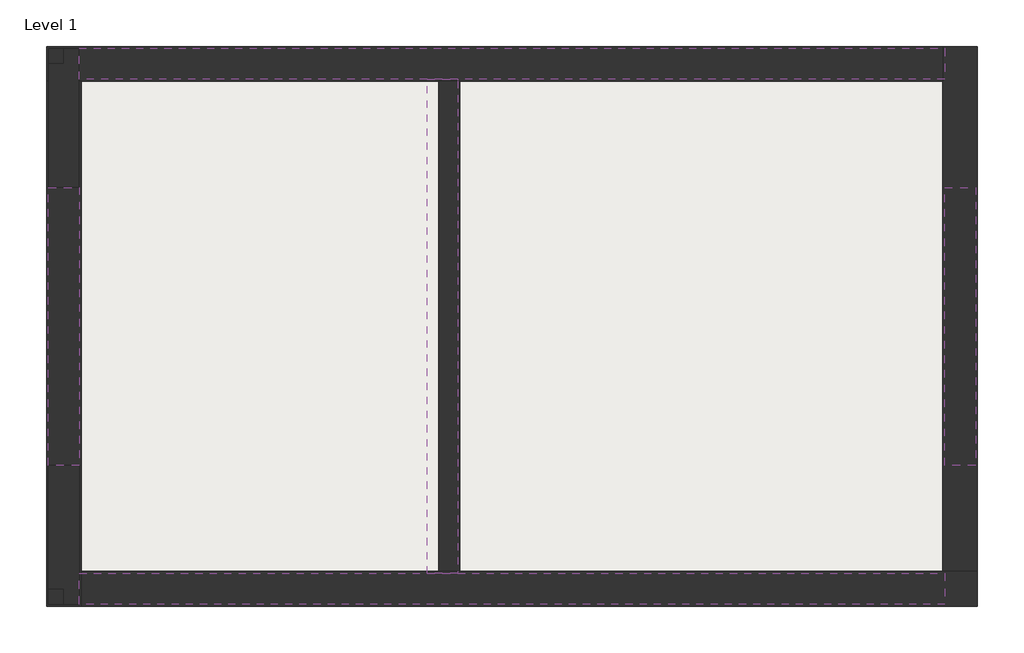
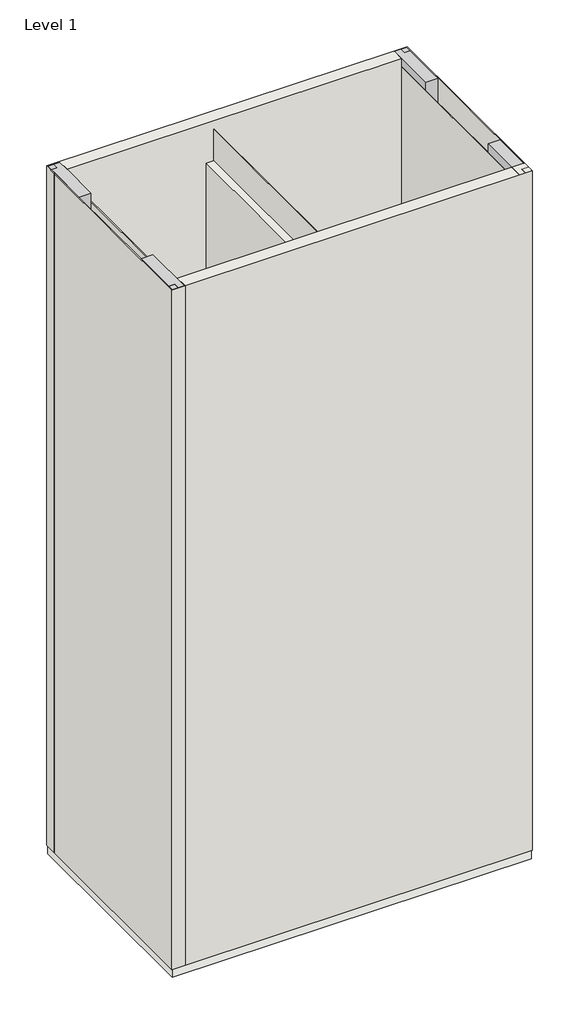
# One storey: 5 beams, 5 walls, 4 columns, 1 slab.
"""IFC4 building model written with IfcOpenShell, lengths in millimetres."""

from ifc_helpers import new_model, si_unit, frame, origin, origin_with_axes, place, context, project, spatial, polyline, outline, extrude, faceted_brep, element, save

model = new_model("IFC4")

# Units and contexts
model_context = context("Model", 3, world=origin())
ifc_project = project(units=[si_unit("LENGTHUNIT", "METRE", prefix="MILLI")], contexts=[model_context])

# Site, building, storey
site = spatial("IfcSite", under=ifc_project)
building = spatial("IfcBuilding", under=site)
storey = spatial("IfcBuildingStorey", under=building, Name="Level 1", Elevation=0.0)

# Beams
placement = place(None, origin())
element("IfcBeam", 1, ObjectType="Concrete-Rectangular Beam : 8 x 28", at=placement, inside=storey, context=model_context, shape_type="Brep", body=[
    faceted_brep([(-11.5069565, -4278.1615499, 3048.0), (-11.5069565, -4481.3615499, 3048.0), (5678.0930435, -4481.3615499, 3048.0), (5678.0930435, -4278.1615499, 3048.0), (-11.5069565, -4481.3615499, 2336.8), (2274.4930435, -4481.3615499, 2336.8), (2477.6930435, -4481.3615499, 2336.8), (5678.0930435, -4481.3615499, 2336.8), (-11.5069565, -4278.1615499, 2336.8), (5678.0930435, -4278.1615499, 2336.8)], [[[0, 1, 2, 3]], [[1, 4, 5, 6, 7, 2]], [[4, 8, 9, 7, 6, 5]], [[8, 0, 3, 9]], [[1, 0, 8, 4]], [[3, 2, 7, 9]]]),
])
element("IfcBeam", 2, ObjectType="Concrete-Rectangular Beam : 8 x 28", at=placement, inside=storey, context=model_context, shape_type="SweptSolid", body=[
    extrude(outline(polyline([(5678.0930435, -5192.5615499), (5881.2930435, -5192.5615499), (5881.2930435, -7021.3615499), (5678.0930435, -7021.3615499), (5678.0930435, -5192.5615499)])), frame((0.0, 0.0, 2336.8), z_axis=(0.0, 0.0, 1.0), x_axis=(1.0, 0.0, 0.0)), (0.0, 0.0, 1.0), 558.8),
])
element("IfcBeam", 3, ObjectType="Concrete-Rectangular Beam : 8 x 28", at=placement, inside=storey, context=model_context, shape_type="Brep", body=[
    faceted_brep([(-11.5069565, -7732.5615499, 3048.0), (-11.5069565, -7935.7615499, 3048.0), (5678.0930435, -7935.7615499, 3048.0), (5678.0930435, -7732.5615499, 3048.0), (-11.5069565, -7732.5615499, 2336.8), (5678.0930435, -7732.5615499, 2336.8), (2477.6930435, -7732.5615499, 2336.8), (2274.4930435, -7732.5615499, 2336.8), (-11.5069565, -7935.7615499, 2336.8), (5678.0930435, -7935.7615499, 2336.8)], [[[0, 1, 2, 3]], [[4, 0, 3, 5, 6, 7]], [[8, 4, 7, 6, 5, 9]], [[1, 8, 9, 2]], [[1, 0, 4, 8]], [[2, 9, 5, 3]]]),
])
element("IfcBeam", 4, ObjectType="Concrete-Rectangular Beam : 8 x 28", at=placement, inside=storey, context=model_context, shape_type="SweptSolid", body=[
    extrude(outline(polyline([(-214.7069565, -5192.5615499), (-11.5069565, -5192.5615499), (-11.5069565, -7021.3615499), (-214.7069565, -7021.3615499), (-214.7069565, -5192.5615499)])), frame((0.0, 0.0, 2336.8), z_axis=(0.0, 0.0, 1.0), x_axis=(1.0, 0.0, 0.0)), (0.0, 0.0, 1.0), 558.8),
])
element("IfcBeam", 5, ObjectType="Concrete-Rectangular Beam : 8 x 28", at=placement, inside=storey, context=model_context, shape_type="Brep", body=[
    faceted_brep([(2274.4930435, -4481.3615499, 2336.8), (2274.4930435, -7732.5615499, 2336.8), (2274.4930435, -7732.5615499, 2895.6), (2274.4930435, -4481.3615499, 2895.6), (2477.6930435, -4481.3615499, 2336.8), (2477.6930435, -4494.0615499, 2336.8), (2477.6930435, -7719.8615499, 2336.8), (2477.6930435, -7732.5615499, 2336.8), (2477.6930435, -4481.3615499, 2895.6), (2477.6930435, -4494.0615499, 2895.6), (2477.6930435, -7719.8615499, 2895.6), (2477.6930435, -7732.5615499, 2895.6)], [[[0, 1, 2, 3]], [[0, 4, 5, 6, 7, 1]], [[7, 6, 5, 4, 8, 9, 10, 11]], [[4, 0, 3, 8]], [[1, 7, 11, 2]], [[3, 2, 11, 10, 9, 8]]]),
])

# Columns
element("IfcColumn", 6, ObjectType="Concrete-Rectangular-Column : 8 x 36", at=placement, inside=storey, context=model_context, shape_type="SolidModel", body=[
    faceted_brep([(-11.5069565, -4278.1615499, 0.0), (-11.5069565, -4494.0615499, 0.0), (-11.5069565, -5192.5615499, 0.0), (-214.7069565, -5192.5615499, 0.0), (-214.7069565, -4494.0615499, 0.0), (-214.7069565, -4379.7615499, 0.0), (-113.1069565, -4379.7615499, 0.0), (-113.1069565, -4278.1615499, 0.0), (-11.5069565, -5192.5615499, 5943.6), (-11.5069565, -4494.0615499, 5943.6), (-11.5069565, -4278.1615499, 5943.6), (-113.1069565, -4278.1615499, 5943.6), (-113.1069565, -4379.7615499, 5943.6), (-214.7069565, -4379.7615499, 5943.6), (-214.7069565, -5192.5615499, 5943.6), (-11.5069565, -4278.1615499, 2895.6), (-11.5069565, -4278.1615499, 3048.0), (-11.5069565, -5192.5615499, 5384.8), (-11.5069565, -5192.5615499, 3048.0), (-11.5069565, -5192.5615499, 2336.8), (-214.7069565, -5192.5615499, 5384.8), (-214.7069565, -5192.5615499, 3048.0), (-214.7069565, -5192.5615499, 2336.8)], [[[0, 1, 2, 3, 4, 5, 6, 7]], [[8, 9, 10, 11, 12, 13, 14]], [[2, 1, 0, 15, 16, 10, 9, 8, 17, 18, 19]], [[3, 2, 19, 18, 17, 8, 14, 20, 21, 22]], [[5, 4, 3, 22, 21, 20, 14, 13]], [[6, 5, 13, 12]], [[7, 6, 12, 11]], [[0, 7, 11, 10, 16, 15]]]),
    faceted_brep([(-11.5069565, -4278.1615499, 12192.0), (-11.5069565, -4494.0615499, 12192.0), (-11.5069565, -5192.5615499, 12192.0), (-11.5069565, -5192.5615499, 11480.8), (-11.5069565, -5192.5615499, 9144.0), (-11.5069565, -4494.0615499, 9144.0), (-11.5069565, -4278.1615499, 9144.0), (-214.7069565, -5192.5615499, 12192.0), (-214.7069565, -5192.5615499, 11480.8), (-214.7069565, -5192.5615499, 9144.0), (-214.7069565, -4494.0615499, 12192.0), (-214.7069565, -4379.7615499, 12192.0), (-214.7069565, -4379.7615499, 9144.0), (-113.1069565, -4379.7615499, 12192.0), (-113.1069565, -4379.7615499, 9144.0), (-113.1069565, -4278.1615499, 12192.0), (-113.1069565, -4278.1615499, 9144.0)], [[[0, 1, 2, 3, 4, 5, 6]], [[2, 7, 8, 9, 4, 3]], [[7, 10, 11, 12, 9, 8]], [[11, 13, 14, 12]], [[13, 15, 16, 14]], [[15, 0, 6, 16]], [[2, 1, 0, 15, 13, 11, 10, 7]], [[6, 5, 4, 9, 12, 14, 16]]]),
    faceted_brep([(-11.5069565, -4278.1615499, 6096.0), (-11.5069565, -4494.0615499, 6096.0), (-11.5069565, -5192.5615499, 6096.0), (-214.7069565, -5192.5615499, 6096.0), (-214.7069565, -4379.7615499, 6096.0), (-113.1069565, -4379.7615499, 6096.0), (-113.1069565, -4278.1615499, 6096.0), (-11.5069565, -5192.5615499, 8991.6), (-11.5069565, -4494.0615499, 8991.6), (-11.5069565, -4278.1615499, 8991.6), (-113.1069565, -4278.1615499, 8991.6), (-113.1069565, -4379.7615499, 8991.6), (-214.7069565, -4379.7615499, 8991.6), (-214.7069565, -5192.5615499, 8991.6), (-11.5069565, -5192.5615499, 8432.8), (-214.7069565, -5192.5615499, 8432.8)], [[[0, 1, 2, 3, 4, 5, 6]], [[7, 8, 9, 10, 11, 12, 13]], [[2, 1, 0, 9, 8, 7, 14]], [[3, 2, 14, 7, 13, 15]], [[4, 3, 15, 13, 12]], [[5, 4, 12, 11]], [[6, 5, 11, 10]], [[0, 6, 10, 9]]]),
    extrude(outline(polyline([(-214.7069565, -4278.1615499), (-113.1069565, -4278.1615499), (-113.1069565, -4379.7615499), (-214.7069565, -4379.7615499), (-214.7069565, -4278.1615499)])), origin_with_axes(), (0.0, 0.0, 1.0), 5943.6),
    extrude(outline(polyline([(-214.7069565, -4278.1615499), (-113.1069565, -4278.1615499), (-113.1069565, -4379.7615499), (-214.7069565, -4379.7615499), (-214.7069565, -4278.1615499)])), frame((0.0, 0.0, 9144.0), z_axis=(0.0, 0.0, 1.0), x_axis=(1.0, 0.0, 0.0)), (0.0, 0.0, 1.0), 3048.0),
    extrude(outline(polyline([(-214.7069565, -4278.1615499), (-113.1069565, -4278.1615499), (-113.1069565, -4379.7615499), (-214.7069565, -4379.7615499), (-214.7069565, -4278.1615499)])), frame((0.0, 0.0, 6096.0), z_axis=(0.0, 0.0, 1.0), x_axis=(1.0, 0.0, 0.0)), (0.0, 0.0, 1.0), 2895.6),
])
element("IfcColumn", 7, ObjectType="Concrete-Rectangular-Column : 8 x 36", at=placement, inside=storey, context=model_context, shape_type="SolidModel", body=[
    faceted_brep([(-11.5069565, -7935.7615499, 0.0), (-113.1069565, -7935.7615499, 0.0), (-113.1069565, -7834.1615499, 0.0), (-214.7069565, -7834.1615499, 0.0), (-214.7069565, -7021.3615499, 0.0), (-11.5069565, -7021.3615499, 0.0), (-11.5069565, -7935.7615499, 5943.6), (-11.5069565, -7021.3615499, 5943.6), (-214.7069565, -7021.3615499, 5943.6), (-214.7069565, -7834.1615499, 5943.6), (-113.1069565, -7834.1615499, 5943.6), (-113.1069565, -7935.7615499, 5943.6), (-11.5069565, -7021.3615499, 2336.8), (-11.5069565, -7021.3615499, 3048.0), (-11.5069565, -7021.3615499, 5384.8), (-11.5069565, -7935.7615499, 3048.0), (-11.5069565, -7935.7615499, 2895.6), (-214.7069565, -7021.3615499, 2336.8), (-214.7069565, -7021.3615499, 3048.0), (-214.7069565, -7021.3615499, 5384.8)], [[[0, 1, 2, 3, 4, 5]], [[6, 7, 8, 9, 10, 11]], [[0, 5, 12, 13, 14, 7, 6, 15, 16]], [[5, 4, 17, 18, 19, 8, 7, 14, 13, 12]], [[4, 3, 9, 8, 19, 18, 17]], [[3, 2, 10, 9]], [[2, 1, 11, 10]], [[1, 0, 16, 15, 6, 11]]]),
    faceted_brep([(-11.5069565, -7021.3615499, 12192.0), (-11.5069565, -7935.7615499, 12192.0), (-11.5069565, -7935.7615499, 12039.6), (-11.5069565, -7935.7615499, 9144.0), (-11.5069565, -7021.3615499, 9144.0), (-11.5069565, -7021.3615499, 11480.8), (-214.7069565, -7021.3615499, 12192.0), (-214.7069565, -7021.3615499, 9144.0), (-214.7069565, -7021.3615499, 11480.8), (-214.7069565, -7834.1615499, 12192.0), (-214.7069565, -7834.1615499, 9144.0), (-113.1069565, -7834.1615499, 12192.0), (-113.1069565, -7834.1615499, 9144.0), (-113.1069565, -7935.7615499, 12192.0), (-113.1069565, -7935.7615499, 9144.0)], [[[0, 1, 2, 3, 4, 5]], [[6, 0, 5, 4, 7, 8]], [[9, 6, 8, 7, 10]], [[11, 9, 10, 12]], [[13, 11, 12, 14]], [[1, 13, 14, 3, 2]], [[1, 0, 6, 9, 11, 13]], [[4, 3, 14, 12, 10, 7]]]),
    faceted_brep([(-11.5069565, -7021.3615499, 6096.0), (-11.5069565, -7935.7615499, 6096.0), (-113.1069565, -7935.7615499, 6096.0), (-113.1069565, -7834.1615499, 6096.0), (-214.7069565, -7834.1615499, 6096.0), (-214.7069565, -7021.3615499, 6096.0), (-11.5069565, -7935.7615499, 8991.6), (-11.5069565, -7021.3615499, 8991.6), (-214.7069565, -7021.3615499, 8991.6), (-214.7069565, -7834.1615499, 8991.6), (-113.1069565, -7834.1615499, 8991.6), (-113.1069565, -7935.7615499, 8991.6), (-11.5069565, -7021.3615499, 8432.8), (-214.7069565, -7021.3615499, 8432.8)], [[[0, 1, 2, 3, 4, 5]], [[6, 7, 8, 9, 10, 11]], [[1, 0, 12, 7, 6]], [[0, 5, 13, 8, 7, 12]], [[5, 4, 9, 8, 13]], [[4, 3, 10, 9]], [[3, 2, 11, 10]], [[2, 1, 6, 11]]]),
    extrude(outline(polyline([(-214.7069565, -7935.7615499), (-214.7069565, -7834.1615499), (-113.1069565, -7834.1615499), (-113.1069565, -7935.7615499), (-214.7069565, -7935.7615499)])), origin_with_axes(), (0.0, 0.0, 1.0), 5943.6),
    extrude(outline(polyline([(-113.1069565, -7935.7615499), (-214.7069565, -7935.7615499), (-214.7069565, -7834.1615499), (-113.1069565, -7834.1615499), (-113.1069565, -7935.7615499)])), frame((0.0, 0.0, 9144.0), z_axis=(0.0, 0.0, 1.0), x_axis=(1.0, 0.0, 0.0)), (0.0, 0.0, 1.0), 3048.0),
    extrude(outline(polyline([(-113.1069565, -7935.7615499), (-214.7069565, -7935.7615499), (-214.7069565, -7834.1615499), (-113.1069565, -7834.1615499), (-113.1069565, -7935.7615499)])), frame((0.0, 0.0, 6096.0), z_axis=(0.0, 0.0, 1.0), x_axis=(1.0, 0.0, 0.0)), (0.0, 0.0, 1.0), 2895.6),
])
element("IfcColumn", 8, ObjectType="Concrete-Rectangular-Column : 8 x 36", at=placement, inside=storey, context=model_context, shape_type="SweptSolid", body=[
    extrude(outline(polyline([(5678.0930435, -4278.1615499), (5779.6930435, -4278.1615499), (5779.6930435, -4379.7615499), (5881.2930435, -4379.7615499), (5881.2930435, -5192.5615499), (5678.0930435, -5192.5615499), (5678.0930435, -4278.1615499)])), origin_with_axes(), (0.0, 0.0, 1.0), 12192.0),
    extrude(outline(polyline([(5881.2930435, -4278.1615499), (5881.2930435, -4379.7615499), (5779.6930435, -4379.7615499), (5779.6930435, -4278.1615499), (5881.2930435, -4278.1615499)])), origin_with_axes(), (0.0, 0.0, 1.0), 12192.0),
])
element("IfcColumn", 9, ObjectType="Concrete-Rectangular-Column : 8 x 36", at=placement, inside=storey, context=model_context, shape_type="SweptSolid", body=[
    extrude(outline(polyline([(5678.0930435, -7935.7615499), (5678.0930435, -7021.3615499), (5881.2930435, -7021.3615499), (5881.2930435, -7834.1615499), (5779.6930435, -7834.1615499), (5779.6930435, -7935.7615499), (5678.0930435, -7935.7615499)])), origin_with_axes(), (0.0, 0.0, 1.0), 12192.0),
    extrude(outline(polyline([(5881.2930435, -7935.7615499), (5779.6930435, -7935.7615499), (5779.6930435, -7834.1615499), (5881.2930435, -7834.1615499), (5881.2930435, -7935.7615499)])), origin_with_axes(), (0.0, 0.0, 1.0), 12192.0),
])

# Slab
element("IfcSlab", 10, ObjectType="Generic - 6\"", at=placement, inside=storey, context=model_context, shape_type="SweptSolid", body=[
    extrude(outline(polyline([(-214.7069565, -4278.1615499), (5881.2930435, -4278.1615499), (5881.2930435, -7935.7615499), (-214.7069565, -7935.7615499), (-214.7069565, -4278.1615499)])), frame((0.0, 0.0, -152.4), z_axis=(0.0, 0.0, 1.0), x_axis=(1.0, 0.0, 0.0)), (0.0, 0.0, 1.0), 152.4),
])

# Walls
element("IfcWall", 11, ObjectType="Brick - 4.5\" Int", at=placement, inside=storey, context=model_context, shape_type="Brep", body=[
    faceted_brep([(2350.6930435, -4494.0615499, 0.0), (2350.6930435, -7719.8615499, 0.0), (2350.6930435, -7719.8615499, 2336.8), (2350.6930435, -4494.0615499, 2336.8), (2490.3930435, -7719.8615499, 0.0), (2490.3930435, -4494.0615499, 0.0), (2490.3930435, -4494.0615499, 2895.6), (2490.3930435, -7719.8615499, 2895.6), (2477.6930435, -4494.0615499, 2336.8), (2477.6930435, -4494.0615499, 2895.6), (2477.6930435, -7719.8615499, 2895.6), (2477.6930435, -7719.8615499, 2336.8)], [[[0, 1, 2, 3]], [[4, 5, 6, 7]], [[1, 0, 5, 4]], [[5, 0, 3, 8, 9, 6]], [[1, 4, 7, 10, 11, 2]], [[11, 8, 3, 2]], [[8, 11, 10, 9]], [[7, 6, 9, 10]]]),
    faceted_brep([(2350.6930435, -4494.0615499, 3048.0), (2350.6930435, -7719.8615499, 3048.0), (2350.6930435, -7719.8615499, 5384.8), (2350.6930435, -4494.0615499, 5384.8), (2490.3930435, -7719.8615499, 3048.0), (2490.3930435, -4494.0615499, 3048.0), (2490.3930435, -4494.0615499, 5943.6), (2490.3930435, -7719.8615499, 5943.6), (2477.6930435, -4494.0615499, 5384.8), (2477.6930435, -4494.0615499, 5943.6), (2477.6930435, -7719.8615499, 5943.6), (2477.6930435, -7719.8615499, 5384.8)], [[[0, 1, 2, 3]], [[4, 5, 6, 7]], [[5, 0, 3, 8, 9, 6]], [[1, 4, 7, 10, 11, 2]], [[1, 0, 5, 4]], [[7, 6, 9, 10]], [[11, 8, 3, 2]], [[8, 11, 10, 9]]]),
    faceted_brep([(2350.6930435, -4494.0615499, 6096.0), (2350.6930435, -7719.8615499, 6096.0), (2350.6930435, -7719.8615499, 8432.8), (2350.6930435, -4494.0615499, 8432.8), (2490.3930435, -7719.8615499, 6096.0), (2490.3930435, -4494.0615499, 6096.0), (2490.3930435, -4494.0615499, 8991.6), (2490.3930435, -7719.8615499, 8991.6), (2477.6930435, -4494.0615499, 6096.0), (2477.6930435, -4494.0615499, 8432.8), (2477.6930435, -4494.0615499, 8991.6), (2477.6930435, -7719.8615499, 8991.6), (2477.6930435, -7719.8615499, 8432.8), (2477.6930435, -7719.8615499, 6096.0)], [[[0, 1, 2, 3]], [[4, 5, 6, 7]], [[6, 5, 8, 0, 3, 9, 10]], [[4, 7, 11, 12, 2, 1, 13]], [[1, 0, 8, 5, 4, 13]], [[7, 6, 10, 11]], [[12, 9, 3, 2]], [[9, 12, 11, 10]]]),
    faceted_brep([(2350.6930435, -4494.0615499, 9144.0), (2350.6930435, -7719.8615499, 9144.0), (2350.6930435, -7719.8615499, 11480.8), (2350.6930435, -4494.0615499, 11480.8), (2490.3930435, -7719.8615499, 9144.0), (2490.3930435, -4494.0615499, 9144.0), (2490.3930435, -4494.0615499, 12039.6), (2490.3930435, -7719.8615499, 12039.6), (2477.6930435, -4494.0615499, 9144.0), (2477.6930435, -4494.0615499, 11480.8), (2477.6930435, -4494.0615499, 12039.6), (2477.6930435, -7719.8615499, 9144.0), (2477.6930435, -7719.8615499, 12039.6), (2477.6930435, -7719.8615499, 11480.8)], [[[0, 1, 2, 3]], [[4, 5, 6, 7]], [[5, 8, 0, 3, 9, 10, 6]], [[1, 11, 4, 7, 12, 13, 2]], [[1, 0, 8, 5, 4, 11]], [[13, 9, 3, 2]], [[9, 13, 12, 10]], [[7, 6, 10, 12]]]),
])
element("IfcWall", 12, ObjectType="Brick - 8\" Ext", at=placement, inside=storey, context=model_context, shape_type="Brep", body=[
    faceted_brep([(-227.4069565, -4494.0615499, 12192.0), (-227.4069565, -4494.0615499, 0.0), (-214.7069565, -4494.0615499, 0.0), (-214.7069565, -4494.0615499, 12192.0), (5665.3930435, -4494.0615499, 0.0), (5665.3930435, -4494.0615499, 2895.6), (2490.3930435, -4494.0615499, 2895.6), (2477.6930435, -4494.0615499, 2895.6), (1.1930435, -4494.0615499, 2895.6), (-11.5069565, -4494.0615499, 2895.6), (-11.5069565, -4494.0615499, 0.0), (1.1930435, -4494.0615499, 0.0), (2350.6930435, -4494.0615499, 0.0), (2490.3930435, -4494.0615499, 0.0), (5665.3930435, -4494.0615499, 3048.0), (5665.3930435, -4494.0615499, 5943.6), (2490.3930435, -4494.0615499, 5943.6), (2477.6930435, -4494.0615499, 5943.6), (1.1930435, -4494.0615499, 5943.6), (-11.5069565, -4494.0615499, 5943.6), (-11.5069565, -4494.0615499, 3048.0), (1.1930435, -4494.0615499, 3048.0), (2350.6930435, -4494.0615499, 3048.0), (2490.3930435, -4494.0615499, 3048.0), (5665.3930435, -4494.0615499, 6096.0), (5665.3930435, -4494.0615499, 8991.6), (2490.3930435, -4494.0615499, 8991.6), (2477.6930435, -4494.0615499, 8991.6), (1.1930435, -4494.0615499, 8991.6), (-11.5069565, -4494.0615499, 8991.6), (-11.5069565, -4494.0615499, 6096.0), (1.1930435, -4494.0615499, 6096.0), (2350.6930435, -4494.0615499, 6096.0), (2490.3930435, -4494.0615499, 6096.0), (5665.3930435, -4494.0615499, 9144.0), (5665.3930435, -4494.0615499, 12192.0), (-11.5069565, -4494.0615499, 12192.0), (-11.5069565, -4494.0615499, 12039.6), (-11.5069565, -4494.0615499, 9144.0), (1.1930435, -4494.0615499, 9144.0), (2350.6930435, -4494.0615499, 9144.0), (2490.3930435, -4494.0615499, 9144.0), (5665.3930435, -4265.4615499, 0.0), (-227.4069565, -4265.4615499, 0.0), (-227.4069565, -4265.4615499, 12192.0), (5665.3930435, -4265.4615499, 12192.0), (-11.5069565, -4278.1615499, 0.0), (-113.1069565, -4278.1615499, 0.0), (-214.7069565, -4278.1615499, 0.0), (-214.7069565, -4379.7615499, 0.0), (-214.7069565, -4379.7615499, 12192.0), (-214.7069565, -4278.1615499, 12192.0), (-113.1069565, -4278.1615499, 12192.0), (-11.5069565, -4278.1615499, 12192.0), (5665.3930435, -4278.1615499, 12192.0), (5665.3930435, -4278.1615499, 9144.0), (5665.3930435, -4278.1615499, 8991.6), (5665.3930435, -4278.1615499, 6096.0), (5665.3930435, -4278.1615499, 5943.6), (5665.3930435, -4278.1615499, 3048.0), (5665.3930435, -4278.1615499, 2895.6), (-11.5069565, -4278.1615499, 2895.6), (-11.5069565, -4278.1615499, 3048.0), (-11.5069565, -4278.1615499, 5943.6), (-11.5069565, -4278.1615499, 6096.0), (-11.5069565, -4278.1615499, 8991.6), (-11.5069565, -4278.1615499, 9144.0), (-214.7069565, -4278.1615499, 9144.0), (-214.7069565, -4278.1615499, 8991.6), (-214.7069565, -4278.1615499, 6096.0), (-214.7069565, -4278.1615499, 5943.6), (-214.7069565, -4278.1615499, 3048.0), (-214.7069565, -4278.1615499, 2895.6)], [[[0, 1, 2, 3]], [[4, 5, 6, 7, 8, 9, 10, 11, 12, 13]], [[14, 15, 16, 17, 18, 19, 20, 21, 22, 23]], [[24, 25, 26, 27, 28, 29, 30, 31, 32, 33]], [[34, 35, 36, 37, 38, 39, 40, 41]], [[42, 43, 44, 45]], [[43, 42, 4, 13, 12, 11, 10, 46, 47, 48, 49, 2, 1]], [[45, 44, 0, 3, 50, 51, 52, 53, 36, 35, 54]], [[1, 0, 44, 43]], [[4, 42, 45, 54, 35, 34, 55, 56, 25, 24, 57, 58, 15, 14, 59, 60, 5]], [[5, 60, 61, 9, 8, 7, 6]], [[59, 14, 23, 22, 21, 20, 62]], [[60, 59, 62, 63, 58, 57, 64, 65, 56, 55, 66, 53, 52, 51, 67, 68, 69, 70, 71, 72, 48, 47, 46, 61]], [[48, 72, 71, 70, 69, 68, 67, 51, 50, 3, 2, 49]], [[15, 58, 63, 19, 18, 17, 16]], [[57, 24, 33, 32, 31, 30, 64]], [[25, 56, 65, 29, 28, 27, 26]], [[55, 34, 41, 40, 39, 38, 66]], [[53, 66, 38, 37, 36]], [[61, 46, 10, 9]], [[63, 62, 20, 19]], [[65, 64, 30, 29]]]),
])
element("IfcWall", 13, ObjectType="Brick - 8\" Ext", at=placement, inside=storey, context=model_context, shape_type="Brep", body=[
    faceted_brep([(1.1930435, -7948.4615499, 0.0), (1.1930435, -7719.8615499, 0.0), (1.1930435, -4494.0615499, 0.0), (1.1930435, -4494.0615499, 2895.6), (1.1930435, -7719.8615499, 2895.6), (1.1930435, -7935.7615499, 2895.6), (1.1930435, -7935.7615499, 3048.0), (1.1930435, -7719.8615499, 3048.0), (1.1930435, -4494.0615499, 3048.0), (1.1930435, -4494.0615499, 5943.6), (1.1930435, -7719.8615499, 5943.6), (1.1930435, -7935.7615499, 5943.6), (1.1930435, -7935.7615499, 6096.0), (1.1930435, -7719.8615499, 6096.0), (1.1930435, -4494.0615499, 6096.0), (1.1930435, -4494.0615499, 8991.6), (1.1930435, -7719.8615499, 8991.6), (1.1930435, -7935.7615499, 8991.6), (1.1930435, -7935.7615499, 9144.0), (1.1930435, -7719.8615499, 9144.0), (1.1930435, -4494.0615499, 9144.0), (1.1930435, -4494.0615499, 12039.6), (1.1930435, -7935.7615499, 12039.6), (1.1930435, -7935.7615499, 12192.0), (1.1930435, -7948.4615499, 12192.0), (-227.4069565, -4494.0615499, 0.0), (-227.4069565, -7948.4615499, 0.0), (-227.4069565, -7948.4615499, 12192.0), (-227.4069565, -4494.0615499, 12192.0), (-214.7069565, -4494.0615499, 0.0), (-214.7069565, -5192.5615499, 0.0), (-11.5069565, -5192.5615499, 0.0), (-11.5069565, -4494.0615499, 0.0), (-214.7069565, -7021.3615499, 0.0), (-214.7069565, -7834.1615499, 0.0), (-214.7069565, -7935.7615499, 0.0), (-113.1069565, -7935.7615499, 0.0), (-11.5069565, -7935.7615499, 0.0), (-11.5069565, -7021.3615499, 0.0), (-11.5069565, -7935.7615499, 12192.0), (-113.1069565, -7935.7615499, 12192.0), (-214.7069565, -7935.7615499, 12192.0), (-214.7069565, -7834.1615499, 12192.0), (-214.7069565, -7021.3615499, 12192.0), (-214.7069565, -5192.5615499, 12192.0), (-214.7069565, -4494.0615499, 12192.0), (-214.7069565, -4494.0615499, 9144.0), (-214.7069565, -4494.0615499, 8991.6), (-214.7069565, -4494.0615499, 6096.0), (-214.7069565, -4494.0615499, 5943.6), (-214.7069565, -4494.0615499, 3048.0), (-214.7069565, -4494.0615499, 2895.6), (-11.5069565, -4494.0615499, 2895.6), (-11.5069565, -4494.0615499, 3048.0), (-11.5069565, -4494.0615499, 5943.6), (-11.5069565, -4494.0615499, 6096.0), (-11.5069565, -4494.0615499, 8991.6), (-11.5069565, -4494.0615499, 9144.0), (-11.5069565, -4494.0615499, 12039.6), (-11.5069565, -5192.5615499, 2895.6), (-11.5069565, -7021.3615499, 2895.6), (-11.5069565, -7935.7615499, 2895.6), (-11.5069565, -7935.7615499, 3048.0), (-11.5069565, -7021.3615499, 3048.0), (-214.7069565, -7021.3615499, 3048.0), (-214.7069565, -5192.5615499, 3048.0), (-11.5069565, -5192.5615499, 3048.0), (-214.7069565, -7935.7615499, 2895.6), (-214.7069565, -7935.7615499, 3048.0), (-214.7069565, -7935.7615499, 5943.6), (-214.7069565, -7935.7615499, 6096.0), (-214.7069565, -7935.7615499, 8991.6), (-214.7069565, -7935.7615499, 9144.0), (-214.7069565, -7935.7615499, 12039.6), (-11.5069565, -7935.7615499, 12039.6), (-11.5069565, -7935.7615499, 9144.0), (-11.5069565, -7935.7615499, 8991.6), (-11.5069565, -7935.7615499, 6096.0), (-11.5069565, -7935.7615499, 5943.6), (-214.7069565, -5192.5615499, 2336.8), (-214.7069565, -7021.3615499, 2336.8), (-214.7069565, -5192.5615499, 11480.8), (-214.7069565, -5192.5615499, 9144.0), (-214.7069565, -7021.3615499, 9144.0), (-214.7069565, -7021.3615499, 11480.8), (-214.7069565, -5192.5615499, 5384.8), (-214.7069565, -7021.3615499, 5384.8), (-214.7069565, -5192.5615499, 8432.8), (-214.7069565, -5192.5615499, 6096.0), (-214.7069565, -7021.3615499, 6096.0), (-214.7069565, -7021.3615499, 8432.8), (-11.5069565, -5192.5615499, 5943.6), (-11.5069565, -7021.3615499, 5943.6), (-11.5069565, -7021.3615499, 6096.0), (-11.5069565, -5192.5615499, 6096.0), (-11.5069565, -5192.5615499, 8991.6), (-11.5069565, -7021.3615499, 8991.6), (-11.5069565, -7021.3615499, 9144.0), (-11.5069565, -5192.5615499, 9144.0), (-11.5069565, -5192.5615499, 11480.8), (-11.5069565, -7021.3615499, 11480.8), (-11.5069565, -7021.3615499, 12039.6), (-11.5069565, -5192.5615499, 12039.6), (-11.5069565, -5192.5615499, 2336.8), (-11.5069565, -7021.3615499, 2336.8), (-11.5069565, -5192.5615499, 5384.8), (-11.5069565, -7021.3615499, 5384.8), (-11.5069565, -5192.5615499, 8432.8), (-11.5069565, -7021.3615499, 8432.8)], [[[0, 1, 2, 3, 4, 5, 6, 7, 8, 9, 10, 11, 12, 13, 14, 15, 16, 17, 18, 19, 20, 21, 22, 23, 24]], [[25, 26, 27, 28]], [[2, 1, 0, 26, 25, 29, 30, 31, 32], [33, 34, 35, 36, 37, 38]], [[28, 27, 24, 23, 39, 40, 41, 42, 43, 44, 45]], [[0, 24, 27, 26]], [[25, 28, 45, 46, 47, 48, 49, 50, 51, 29]], [[3, 2, 32, 52]], [[9, 8, 53, 54]], [[15, 14, 55, 56]], [[20, 57, 58, 21]], [[5, 4, 3, 52, 59, 60, 61]], [[8, 7, 6, 62, 63, 64, 65, 66, 53]], [[6, 5, 61, 37, 36, 35, 67, 68, 69, 70, 71, 72, 73, 41, 40, 39, 23, 22, 74, 75, 18, 17, 76, 77, 12, 11, 78, 62]], [[79, 30, 29, 51, 50, 49, 48, 47, 46, 45, 44, 43, 42, 41, 73, 72, 71, 70, 69, 68, 67, 35, 34, 33, 80], [81, 82, 83, 84], [85, 65, 64, 86], [87, 88, 89, 90]], [[11, 10, 9, 54, 91, 92, 78]], [[14, 13, 12, 77, 93, 89, 88, 94, 55]], [[17, 16, 15, 56, 95, 96, 76]], [[20, 19, 18, 75, 97, 83, 82, 98, 57]], [[98, 99, 100, 97, 75, 74, 101, 102, 58, 57]], [[31, 103, 104, 38, 37, 61, 60, 59, 52, 32]], [[66, 105, 106, 63, 62, 78, 92, 91, 54, 53]], [[94, 107, 108, 93, 77, 76, 96, 95, 56, 55]], [[103, 79, 80, 104]], [[105, 85, 86, 106]], [[107, 87, 90, 108]], [[99, 81, 84, 100]], [[22, 21, 58, 102, 101, 74]], [[82, 81, 99, 98]], [[30, 79, 103, 31]], [[65, 85, 105, 66]], [[88, 87, 107, 94]], [[84, 83, 97, 100]], [[86, 64, 63, 106]], [[80, 33, 38, 104]], [[90, 89, 93, 108]]]),
])
element("IfcWall", 14, ObjectType="Brick - 8\" Ext", at=placement, inside=storey, context=model_context, shape_type="Brep", body=[
    faceted_brep([(5893.9930435, -7719.8615499, 0.0), (5665.3930435, -7719.8615499, 0.0), (2490.3930435, -7719.8615499, 0.0), (2350.6930435, -7719.8615499, 0.0), (1.1930435, -7719.8615499, 0.0), (1.1930435, -7719.8615499, 2895.6), (2477.6930435, -7719.8615499, 2895.6), (2490.3930435, -7719.8615499, 2895.6), (5665.3930435, -7719.8615499, 2895.6), (5678.0930435, -7719.8615499, 2895.6), (5881.2930435, -7719.8615499, 2895.6), (5881.2930435, -7719.8615499, 3048.0), (5665.3930435, -7719.8615499, 3048.0), (2490.3930435, -7719.8615499, 3048.0), (2350.6930435, -7719.8615499, 3048.0), (1.1930435, -7719.8615499, 3048.0), (1.1930435, -7719.8615499, 5943.6), (2477.6930435, -7719.8615499, 5943.6), (2490.3930435, -7719.8615499, 5943.6), (5665.3930435, -7719.8615499, 5943.6), (5678.0930435, -7719.8615499, 5943.6), (5881.2930435, -7719.8615499, 5943.6), (5881.2930435, -7719.8615499, 6096.0), (5665.3930435, -7719.8615499, 6096.0), (2490.3930435, -7719.8615499, 6096.0), (2350.6930435, -7719.8615499, 6096.0), (1.1930435, -7719.8615499, 6096.0), (1.1930435, -7719.8615499, 8991.6), (2477.6930435, -7719.8615499, 8991.6), (2490.3930435, -7719.8615499, 8991.6), (5665.3930435, -7719.8615499, 8991.6), (5678.0930435, -7719.8615499, 8991.6), (5881.2930435, -7719.8615499, 8991.6), (5881.2930435, -7719.8615499, 9144.0), (5665.3930435, -7719.8615499, 9144.0), (2490.3930435, -7719.8615499, 9144.0), (2350.6930435, -7719.8615499, 9144.0), (1.1930435, -7719.8615499, 9144.0), (1.1930435, -7719.8615499, 12192.0), (5881.2930435, -7719.8615499, 12192.0), (5893.9930435, -7719.8615499, 12192.0), (1.1930435, -7948.4615499, 0.0), (5893.9930435, -7948.4615499, 0.0), (5893.9930435, -7948.4615499, 12192.0), (1.1930435, -7948.4615499, 12192.0), (1.1930435, -7935.7615499, 12192.0), (1.1930435, -7935.7615499, 9144.0), (1.1930435, -7935.7615499, 8991.6), (1.1930435, -7935.7615499, 6096.0), (1.1930435, -7935.7615499, 5943.6), (1.1930435, -7935.7615499, 3048.0), (1.1930435, -7935.7615499, 2895.6), (5881.2930435, -7935.7615499, 2895.6), (5881.2930435, -7935.7615499, 3048.0), (5881.2930435, -7935.7615499, 5943.6), (5881.2930435, -7935.7615499, 6096.0), (5881.2930435, -7935.7615499, 8991.6), (5881.2930435, -7935.7615499, 9144.0)], [[[0, 1, 2, 3, 4, 5, 6, 7, 8, 9, 10, 11, 12, 13, 14, 15, 16, 17, 18, 19, 20, 21, 22, 23, 24, 25, 26, 27, 28, 29, 30, 31, 32, 33, 34, 35, 36, 37, 38, 39, 40]], [[41, 42, 43, 44]], [[4, 3, 2, 1, 0, 42, 41]], [[40, 39, 38, 45, 44, 43]], [[0, 40, 43, 42]], [[4, 41, 44, 45, 38, 37, 46, 47, 27, 26, 48, 49, 16, 15, 50, 51, 5]], [[51, 52, 10, 9, 8, 7, 6, 5]], [[11, 53, 50, 15, 14, 13, 12]], [[52, 53, 11, 10]], [[53, 52, 51, 50]], [[49, 54, 21, 20, 19, 18, 17, 16]], [[22, 55, 48, 26, 25, 24, 23]], [[54, 55, 22, 21]], [[55, 54, 49, 48]], [[47, 56, 32, 31, 30, 29, 28, 27]], [[33, 57, 46, 37, 36, 35, 34]], [[56, 57, 33, 32]], [[57, 56, 47, 46]]]),
])
element("IfcWall", 15, ObjectType="Brick - 8\" Ext", at=placement, inside=storey, context=model_context, shape_type="Brep", body=[
    faceted_brep([(5665.3930435, -4265.4615499, 0.0), (5665.3930435, -4494.0615499, 0.0), (5665.3930435, -7719.8615499, 0.0), (5665.3930435, -7719.8615499, 2895.6), (5665.3930435, -4494.0615499, 2895.6), (5665.3930435, -4278.1615499, 2895.6), (5665.3930435, -4278.1615499, 3048.0), (5665.3930435, -4494.0615499, 3048.0), (5665.3930435, -7719.8615499, 3048.0), (5665.3930435, -7719.8615499, 5943.6), (5665.3930435, -4494.0615499, 5943.6), (5665.3930435, -4278.1615499, 5943.6), (5665.3930435, -4278.1615499, 6096.0), (5665.3930435, -4494.0615499, 6096.0), (5665.3930435, -7719.8615499, 6096.0), (5665.3930435, -7719.8615499, 8991.6), (5665.3930435, -4494.0615499, 8991.6), (5665.3930435, -4278.1615499, 8991.6), (5665.3930435, -4278.1615499, 9144.0), (5665.3930435, -4494.0615499, 9144.0), (5665.3930435, -7719.8615499, 9144.0), (5665.3930435, -7719.8615499, 12039.6), (5665.3930435, -4278.1615499, 12039.6), (5665.3930435, -4278.1615499, 12192.0), (5665.3930435, -4265.4615499, 12192.0), (5893.9930435, -7719.8615499, 0.0), (5893.9930435, -4265.4615499, 0.0), (5893.9930435, -4265.4615499, 12192.0), (5893.9930435, -7719.8615499, 12192.0), (5881.2930435, -4278.1615499, 12192.0), (5881.2930435, -7719.8615499, 12192.0), (5881.2930435, -7719.8615499, 11480.8), (5678.0930435, -7719.8615499, 11480.8), (5678.0930435, -7719.8615499, 12039.6), (5678.0930435, -7719.8615499, 9144.0), (5881.2930435, -7719.8615499, 9144.0), (5881.2930435, -7719.8615499, 8991.6), (5881.2930435, -7719.8615499, 8432.8), (5678.0930435, -7719.8615499, 8432.8), (5678.0930435, -7719.8615499, 8991.6), (5678.0930435, -7719.8615499, 6096.0), (5881.2930435, -7719.8615499, 6096.0), (5881.2930435, -7719.8615499, 5943.6), (5881.2930435, -7719.8615499, 5384.8), (5678.0930435, -7719.8615499, 5384.8), (5678.0930435, -7719.8615499, 5943.6), (5678.0930435, -7719.8615499, 3048.0), (5881.2930435, -7719.8615499, 3048.0), (5881.2930435, -7719.8615499, 2895.6), (5881.2930435, -7719.8615499, 2336.8), (5678.0930435, -7719.8615499, 2336.8), (5678.0930435, -7719.8615499, 2895.6), (5881.2930435, -4278.1615499, 2895.6), (5678.0930435, -7021.3615499, 2895.6), (5678.0930435, -5192.5615499, 2895.6), (5678.0930435, -4379.7615499, 2895.6), (5881.2930435, -4379.7615499, 2895.6), (5881.2930435, -4278.1615499, 3048.0), (5881.2930435, -4379.7615499, 2336.8), (5881.2930435, -5192.5615499, 2336.8), (5881.2930435, -7021.3615499, 2336.8), (5881.2930435, -4278.1615499, 5943.6), (5678.0930435, -7021.3615499, 5943.6), (5678.0930435, -5192.5615499, 5943.6), (5678.0930435, -4379.7615499, 5943.6), (5881.2930435, -4379.7615499, 5943.6), (5881.2930435, -4278.1615499, 6096.0), (5881.2930435, -4379.7615499, 5384.8), (5881.2930435, -5192.5615499, 5384.8), (5881.2930435, -7021.3615499, 5384.8), (5881.2930435, -4278.1615499, 8991.6), (5678.0930435, -7021.3615499, 8991.6), (5678.0930435, -5192.5615499, 8991.6), (5678.0930435, -4379.7615499, 8991.6), (5881.2930435, -4379.7615499, 8991.6), (5881.2930435, -4278.1615499, 9144.0), (5881.2930435, -4379.7615499, 8432.8), (5881.2930435, -5192.5615499, 8432.8), (5881.2930435, -7021.3615499, 8432.8), (5678.0930435, -4379.7615499, 2336.8), (5678.0930435, -7021.3615499, 2336.8), (5678.0930435, -5192.5615499, 2336.8), (5678.0930435, -7021.3615499, 11480.8), (5678.0930435, -5192.5615499, 11480.8), (5678.0930435, -4379.7615499, 11480.8), (5678.0930435, -4379.7615499, 12039.6), (5678.0930435, -5192.5615499, 12039.6), (5678.0930435, -7021.3615499, 12039.6), (5881.2930435, -4379.7615499, 11480.8), (5881.2930435, -7021.3615499, 11480.8), (5881.2930435, -5192.5615499, 11480.8), (5881.2930435, -4278.1615499, 12039.6), (5881.2930435, -4379.7615499, 12039.6), (5678.0930435, -4379.7615499, 8432.8), (5678.0930435, -7021.3615499, 8432.8), (5678.0930435, -5192.5615499, 8432.8), (5678.0930435, -4379.7615499, 5384.8), (5678.0930435, -7021.3615499, 5384.8), (5678.0930435, -5192.5615499, 5384.8)], [[[0, 1, 2, 3, 4, 5, 6, 7, 8, 9, 10, 11, 12, 13, 14, 15, 16, 17, 18, 19, 20, 21, 22, 23, 24]], [[25, 26, 27, 28]], [[2, 1, 0, 26, 25]], [[28, 27, 24, 23, 29, 30]], [[0, 24, 27, 26]], [[2, 25, 28, 30, 31, 32, 33, 21, 20, 34, 35, 36, 37, 38, 39, 15, 14, 40, 41, 42, 43, 44, 45, 9, 8, 46, 47, 48, 49, 50, 51, 3]], [[52, 5, 4, 3, 51, 53, 54, 55, 56]], [[6, 57, 47, 46, 8, 7]], [[52, 57, 6, 5]], [[57, 52, 56, 58, 59, 60, 49, 48, 47]], [[61, 11, 10, 9, 45, 62, 63, 64, 65]], [[12, 66, 41, 40, 14, 13]], [[61, 66, 12, 11]], [[66, 61, 65, 67, 68, 69, 43, 42, 41]], [[70, 17, 16, 15, 39, 71, 72, 73, 74]], [[18, 75, 35, 34, 20, 19]], [[70, 75, 18, 17]], [[75, 70, 74, 76, 77, 78, 37, 36, 35]], [[79, 55, 54, 53, 51, 50, 80, 81]], [[58, 79, 81, 80, 50, 49, 60, 59]], [[79, 58, 56, 55]], [[32, 82, 83, 84, 85, 86, 87, 33]], [[88, 84, 83, 82, 32, 31, 89, 90]], [[88, 90, 89, 31, 30, 29, 91, 92]], [[84, 88, 92, 85]], [[93, 73, 72, 71, 39, 38, 94, 95]], [[76, 93, 95, 94, 38, 37, 78, 77]], [[93, 76, 74, 73]], [[96, 64, 63, 62, 45, 44, 97, 98]], [[67, 96, 98, 97, 44, 43, 69, 68]], [[96, 67, 65, 64]], [[92, 91, 22, 21, 33, 87, 86, 85]], [[91, 29, 23, 22]]]),
])

save(model, "model.ifc")
